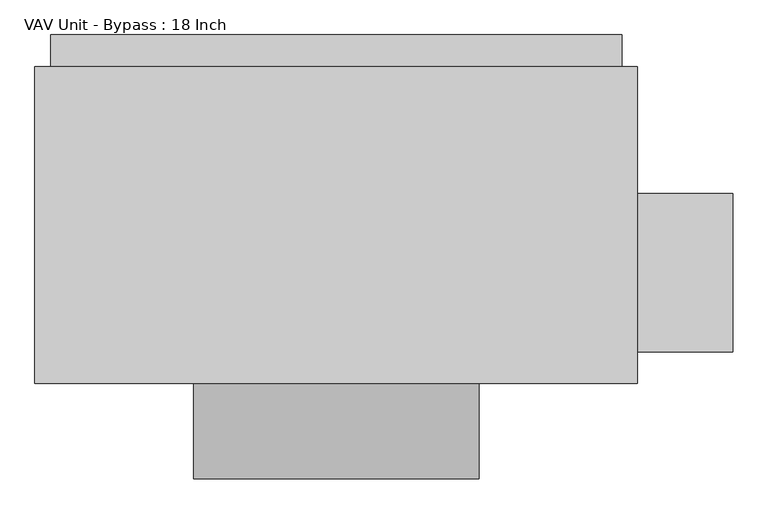
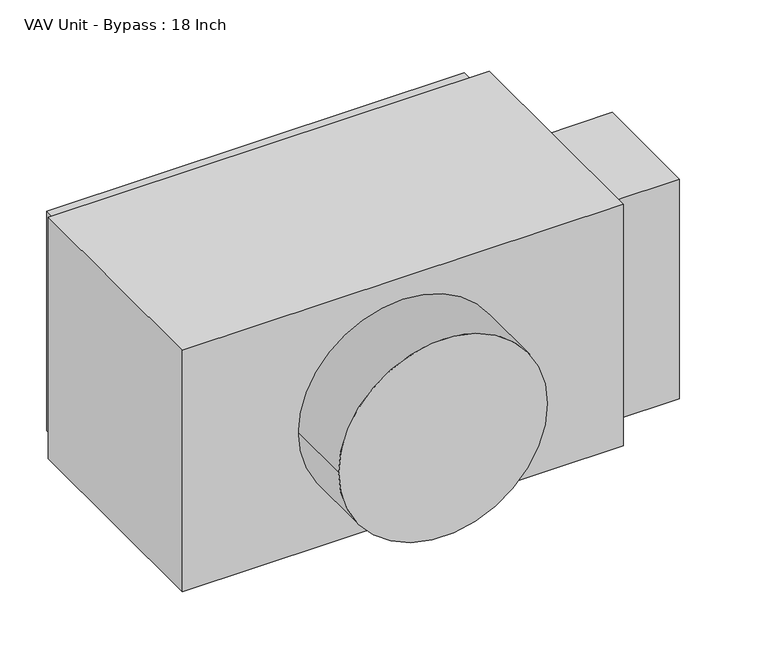
"""IFC4 building model written with IfcOpenShell, lengths in millimetres: proxy geometry, VAV Unit - Bypass : 18 Inch."""

from ifc_helpers import new_model, si_unit, point, frame, origin, origin_2d, place, context, project, spatial, polyline, circle_curve, trimmed, segment, composite_curve, outline, extrude, source, transform, mapped, element, save


def vav_unit_bypass_18_inch_c5ae2439(model_context):
    return source(origin(), model_context, "Body", "SweptSolid", [
        extrude(outline(polyline([(635.0, -203.2), (482.6, -203.2), (482.6, 50.8), (635.0, 50.8), (635.0, -203.2)])), frame((0.0, 0.0, -254.0), z_axis=(0.0, 0.0, 1.0), x_axis=(1.0, 0.0, 0.0)), (0.0, 0.0, 1.0), 508.0),
        extrude(outline(composite_curve([segment(trimmed(circle_curve(origin_2d(), 228.6), [point((0.0, -228.6))], [point((0.0, 228.6))], False, "CARTESIAN"), True, "CONTINUOUS"), segment(trimmed(circle_curve(origin_2d(), 228.6), [point((0.0, 228.6))], [point((0.0, -228.6))], False, "CARTESIAN"), True, "CONTINUOUS")], self_intersect=False)), frame((0.0, -406.4, 0.0), z_axis=(0.0, 1.0, 0.0), x_axis=(0.0, 0.0, 1.0)), (0.0, 0.0, 1.0), 152.4),
        extrude(outline(polyline([(457.2, 304.8), (457.2, 254.0), (-457.2, 254.0), (-457.2, 304.8), (457.2, 304.8)])), frame((0.0, 0.0, -254.0), z_axis=(0.0, 0.0, 1.0), x_axis=(1.0, 0.0, 0.0)), (0.0, 0.0, 1.0), 508.0),
        extrude(outline(polyline([(482.6, 254.0), (482.6, -254.0), (-482.6, -254.0), (-482.6, 254.0), (482.6, 254.0)])), frame((0.0, 0.0, -279.4), z_axis=(0.0, 0.0, 1.0), x_axis=(1.0, 0.0, 0.0)), (0.0, 0.0, 1.0), 558.8),
    ])


if __name__ == "__main__":
    model = new_model("IFC4")
    model_context = context("Model", 3, world=origin())
    ifc_project = project(units=[si_unit("LENGTHUNIT", "METRE", prefix="MILLI")], contexts=[model_context])
    site = spatial("IfcSite", under=ifc_project)
    building = spatial("IfcBuilding", under=site)
    placement = place(None, origin())
    vav_unit_bypass_18_inch_shape = vav_unit_bypass_18_inch_c5ae2439(model_context)
    element("IfcBuildingElementProxy", 1, Name="VAV Unit - Bypass : 18 Inch", ObjectType="VAV Unit - Bypass : 18 Inch", at=placement, inside=building, context=model_context, shape_type="MappedRepresentation", body=[
        mapped(vav_unit_bypass_18_inch_shape, transform((0.0, 0.0, 0.0), x_axis=(1.0, 0.0, 0.0), y_axis=(0.0, 1.0, 0.0), z_axis=(0.0, 0.0, 1.0))),
    ])
    save(model, "model.ifc")
